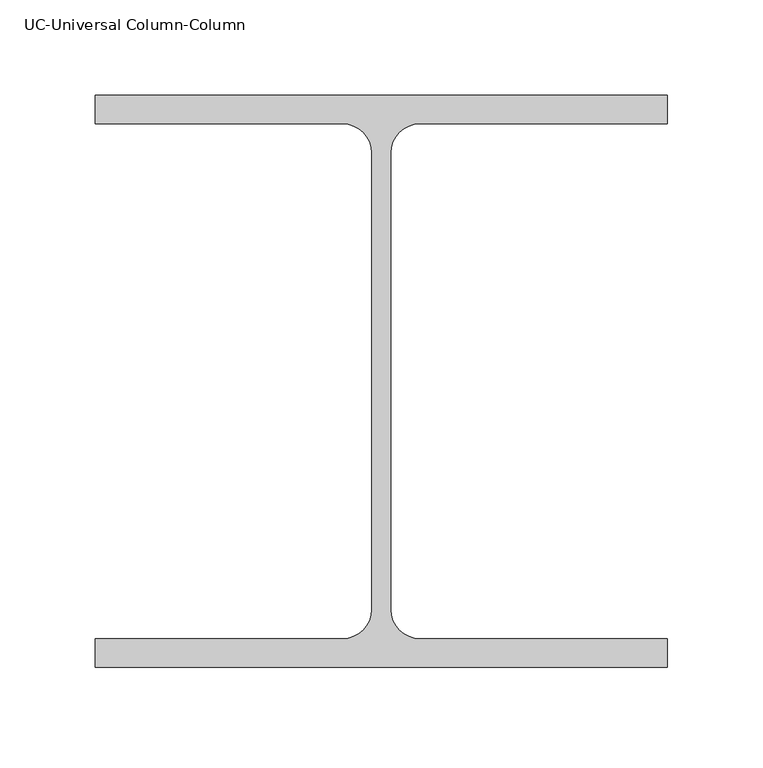
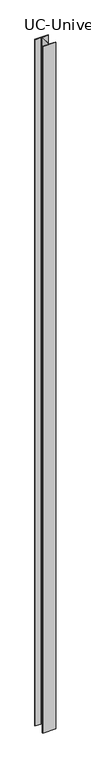
"""IFC4 building model written with IfcOpenShell, lengths in millimetres: column geometry, UC-Universal Column-Column."""

from ifc_helpers import new_model, si_unit, point, frame, frame_2d, origin, place, context, project, spatial, polyline, circle_curve, trimmed, segment, composite_curve, outline, extrude, source, transform, mapped, element, save


def uc_universal_column_column_7631002a(model_context):
    return source(origin(), model_context, "Body", "SweptSolid", [
        extrude(outline(composite_curve([segment(polyline([(150.0, 150.0), (150.0, 135.0), (20.2, 135.0)]), True, "CONTINUOUS"), segment(trimmed(circle_curve(frame_2d((20.2, 119.8)), 15.2), [point((20.2, 135.0))], [point((5.0, 119.8))], True, "CARTESIAN"), True, "CONTINUOUS"), segment(polyline([(5.0, 119.8), (5.0, -119.8)]), True, "CONTINUOUS"), segment(trimmed(circle_curve(frame_2d((20.2, -119.8)), 15.2), [point((5.0, -119.8))], [point((20.2, -135.0))], True, "CARTESIAN"), True, "CONTINUOUS"), segment(polyline([(20.2, -135.0), (150.0, -135.0), (150.0, -150.0), (-150.0, -150.0), (-150.0, -135.0), (-20.2, -135.0)]), True, "CONTINUOUS"), segment(trimmed(circle_curve(frame_2d((-20.2, -119.8)), 15.2), [point((-20.2, -135.0))], [point((-5.0, -119.8))], True, "CARTESIAN"), True, "CONTINUOUS"), segment(polyline([(-5.0, -119.8), (-5.0, 119.8)]), True, "CONTINUOUS"), segment(trimmed(circle_curve(frame_2d((-20.2, 119.8)), 15.2), [point((-5.0, 119.8))], [point((-20.2, 135.0))], True, "CARTESIAN"), True, "CONTINUOUS"), segment(polyline([(-20.2, 135.0), (-150.0, 135.0), (-150.0, 150.0), (150.0, 150.0)]), True, "CONTINUOUS")], self_intersect=False)), frame((0.0, 0.0, -10000.0), z_axis=(0.0, 0.0, 1.0), x_axis=(1.0, 0.0, 0.0)), (0.0, 0.0, 1.0), 16500.0),
    ])


if __name__ == "__main__":
    model = new_model("IFC4")
    model_context = context("Model", 3, world=origin())
    ifc_project = project(units=[si_unit("LENGTHUNIT", "METRE", prefix="MILLI")], contexts=[model_context])
    site = spatial("IfcSite", under=ifc_project)
    building = spatial("IfcBuilding", under=site)
    placement = place(None, origin())
    uc_universal_column_column_shape = uc_universal_column_column_7631002a(model_context)
    element("IfcColumn", 1, ObjectType="UC-Universal Column-Column", at=placement, inside=building, context=model_context, shape_type="MappedRepresentation", body=[
        mapped(uc_universal_column_column_shape, transform((0.0, 0.0, 0.0), x_axis=(1.0, 0.0, 0.0), y_axis=(0.0, 1.0, 0.0), z_axis=(0.0, 0.0, 1.0))),
    ])
    save(model, "model.ifc")
